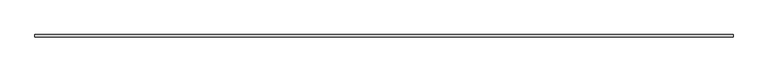
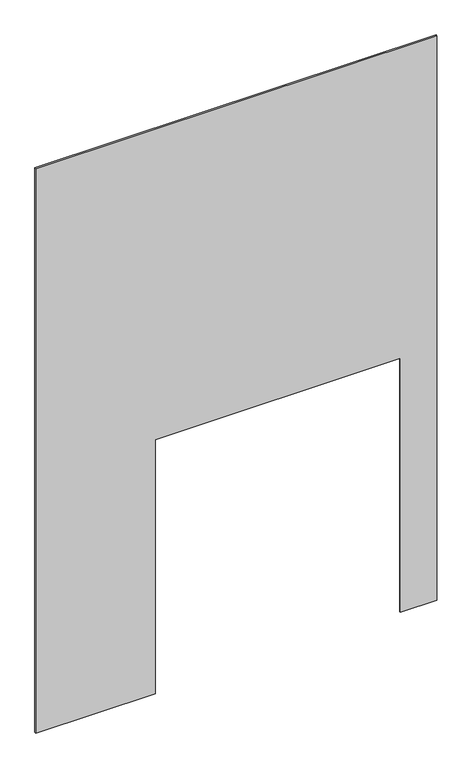
"""IFC4 building model written with IfcOpenShell, lengths in millimetres: plate geometry."""

import ifcopenshell
import ifcopenshell.guid

model = None  # the IFC model being written
_history = None  # IfcOwnerHistory: only IFC2X3 demands one
_inside = {}  # id of a spatial element -> (the spatial element, [elements in it])
_under = {}  # id of a project, library or spatial element -> (it, [spatial elements below it])
_declared = {}  # id of a project -> (the project, [libraries it declares])
_typed = {}  # id of a type object -> (the type object, [elements of that type])
_made_of = {}  # id of a material, layer set ... -> (it, [elements and type objects made of it])


def new_model(schema):
    """Start an empty IFC model of exactly this schema.

    Asked for "IFC4X3", IfcOpenShell would pick the latest addendum, in which some entities
    have other attributes; the version numbers below select the first issue.
    IFC2X3 requires an IfcOwnerHistory on every rooted entity: one is made here for all.
    """
    global model, _history
    if schema == "IFC4X3":
        model = ifcopenshell.file(schema_version=(4, 3, 0, 0))
    else:
        model = ifcopenshell.file(schema=schema)
    _inside.clear()
    _under.clear()
    _declared.clear()
    _typed.clear()
    _made_of.clear()
    _history = None
    if model.schema == "IFC2X3":
        org = make("IfcOrganization", Name="unknown")
        user = make(
            "IfcPersonAndOrganization",
            ThePerson=make("IfcPerson", FamilyName="unknown"),
            TheOrganization=org,
        )
        app = make(
            "IfcApplication",
            ApplicationDeveloper=org,
            Version="unknown",
            ApplicationFullName="unknown",
            ApplicationIdentifier="unknown",
        )
        _history = make(
            "IfcOwnerHistory",
            OwningUser=user,
            OwningApplication=app,
            ChangeAction="ADDED",
            CreationDate=0,
        )
    return model


def make(cls, **values):
    """One entity of the class cls with the attributes given. An attribute that is None is left unset."""
    return model.create_entity(
        cls, **{name: value for name, value in values.items() if value is not None}
    )


def rooted(cls, **values):
    """An entity with a GlobalId (a new one), such as an element, a storey or a relation."""
    return make(cls, GlobalId=ifcopenshell.guid.new(), OwnerHistory=_history, **values)


def si_unit(unit_type, name, prefix=None):
    """IfcSIUnit, for example si_unit("LENGTHUNIT", "METRE", prefix="MILLI")."""
    return make("IfcSIUnit", UnitType=unit_type, Prefix=prefix, Name=name)


def assignment(units):
    """IfcUnitAssignment: the units of a project."""
    return None if units is None else make("IfcUnitAssignment", Units=units)


def point(xyz):
    """IfcCartesianPoint."""
    return None if xyz is None else make("IfcCartesianPoint", Coordinates=xyz)


def direction(xyz):
    """IfcDirection."""
    return None if xyz is None else make("IfcDirection", DirectionRatios=xyz)


def frame(location, z_axis=None, x_axis=None):
    """IfcAxis2Placement3D, a coordinate frame: its origin and axes. An axis left out is left unset."""
    return make(
        "IfcAxis2Placement3D",
        Location=point(location),
        Axis=direction(z_axis),
        RefDirection=direction(x_axis),
    )


def origin():
    """The frame at (0, 0, 0) with its axes left unset."""
    return frame((0.0, 0.0, 0.0))


def place(relative_to, where):
    """IfcLocalPlacement: puts the frame where relative to a parent placement (None: the world)."""
    return make(
        "IfcLocalPlacement", PlacementRelTo=relative_to, RelativePlacement=where
    )


def context(
    kind, dimensions, precision=None, world=None, true_north=None, identifier=None
):
    """IfcGeometricRepresentationContext, for example the 3D "Model" context."""
    return make(
        "IfcGeometricRepresentationContext",
        ContextIdentifier=identifier,
        ContextType=kind,
        CoordinateSpaceDimension=dimensions,
        Precision=precision,
        WorldCoordinateSystem=world,
        TrueNorth=true_north,
    )


def project(units=None, contexts=None):
    """IfcProject with its units and contexts."""
    return rooted(
        "IfcProject",
        Name="project",
        RepresentationContexts=contexts,
        UnitsInContext=assignment(units),
    )


def spatial(cls, under=None, at=None, **own):
    """A site, building, storey or space (cls), placed at a placement, below another one or the project."""
    s = rooted(cls, ObjectPlacement=at, **own)
    if under is not None:
        _under.setdefault(under.id(), (under, []))[1].append(s)
    return s


def polyline(points):
    """IfcPolyline through the points."""
    return make("IfcPolyline", Points=[point(p) for p in points])


def outline(outer, holes=None, kind="AREA"):
    """IfcArbitraryClosedProfileDef: a profile drawn as a closed curve; with holes, ...WithVoids."""
    if holes is None:
        return make("IfcArbitraryClosedProfileDef", ProfileType=kind, OuterCurve=outer)
    return make(
        "IfcArbitraryProfileDefWithVoids",
        ProfileType=kind,
        OuterCurve=outer,
        InnerCurves=holes,
    )


def extrude(swept, where, along, depth):
    """IfcExtrudedAreaSolid: the profile swept, set in the frame where, extruded along a direction by depth."""
    return make(
        "IfcExtrudedAreaSolid",
        SweptArea=swept,
        Position=where,
        ExtrudedDirection=direction(along),
        Depth=depth,
    )


def shape(context_of_items, identifier, shape_type, items):
    """IfcShapeRepresentation: the items that make up one representation, for example the "Body"."""
    return make(
        "IfcShapeRepresentation",
        ContextOfItems=context_of_items,
        RepresentationIdentifier=identifier,
        RepresentationType=shape_type,
        Items=items,
    )


def source(mapping_origin, context_of_items, identifier, shape_type, items):
    """IfcRepresentationMap: a shape defined once, which mapped items show again and again."""
    return make(
        "IfcRepresentationMap",
        MappingOrigin=mapping_origin,
        MappedRepresentation=shape(context_of_items, identifier, shape_type, items),
    )


def transform(
    local_origin,
    x_axis=None,
    y_axis=None,
    z_axis=None,
    scale=None,
    scale2=None,
    scale3=None,
    uniform=True,
):
    """IfcCartesianTransformationOperator3D, or its non-uniform kind. x_axis, y_axis, z_axis: its Axis1, 2, 3."""
    if uniform:
        return make(
            "IfcCartesianTransformationOperator3D",
            Axis1=direction(x_axis),
            Axis2=direction(y_axis),
            LocalOrigin=point(local_origin),
            Scale=scale,
            Axis3=direction(z_axis),
        )
    return make(
        "IfcCartesianTransformationOperator3DnonUniform",
        Axis1=direction(x_axis),
        Axis2=direction(y_axis),
        LocalOrigin=point(local_origin),
        Scale=scale,
        Axis3=direction(z_axis),
        Scale2=scale2,
        Scale3=scale3,
    )


def mapped(mapping_source, mapping_target):
    """IfcMappedItem: shows the shape of a source again, moved by a transform."""
    return make(
        "IfcMappedItem", MappingSource=mapping_source, MappingTarget=mapping_target
    )


def made_of(thing, what):
    """Note that an element or type object is made of a material, layer set ...; save() writes the relation."""
    if what is not None:
        _made_of.setdefault(what.id(), (what, []))[1].append(thing)
    return thing


def element(
    cls,
    number,
    at=None,
    inside=None,
    cuts=None,
    type_object=None,
    material=None,
    context=None,
    identifier="Body",
    shape_type=None,
    held_by="IfcProductDefinitionShape",
    body=None,
    shapes=None,
    **own,
):
    """One element of the class cls, such as IfcWall. Its Tag is "e" and its number.

    at: its placement. inside: the storey or other place that contains it. cuts: it is an
    opening in that element (IfcRelVoidsElement). A single representation is given by context,
    identifier, shape_type and body (its items); several are given by shapes. held_by: the class
    of the entity that holds the representations. save() writes the other relations.
    """
    e = rooted(cls, Tag="e%d" % number, ObjectPlacement=at, **own)
    if body is not None:
        shapes = [shape(context, identifier, shape_type, body)]
    if shapes is not None:
        e.Representation = make(held_by, Representations=shapes)
    if inside is not None:
        _inside.setdefault(inside.id(), (inside, []))[1].append(e)
    if cuts is not None:
        rooted(
            "IfcRelVoidsElement", RelatingBuildingElement=cuts, RelatedOpeningElement=e
        )
    if type_object is not None:
        _typed.setdefault(type_object.id(), (type_object, []))[1].append(e)
    return made_of(e, material)


def aggregate(whole, parts):
    """IfcRelAggregates: a whole, such as a stair, and the parts it consists of."""
    return rooted("IfcRelAggregates", RelatingObject=whole, RelatedObjects=parts)


def save(model, path):
    """Write the relations noted so far, then the file.

    IfcRelAggregates (storeys below a building ...), IfcRelContainedInSpatialStructure (elements
    in a storey), IfcRelDefinesByType, IfcRelAssociatesMaterial and IfcRelDeclares: one each for
    every whole, place, type object, material and project.
    """
    for whole, parts in _under.values():
        aggregate(whole, parts)
    for where, things in _inside.values():
        rooted(
            "IfcRelContainedInSpatialStructure",
            RelatedElements=things,
            RelatingStructure=where,
        )
    for kind, things in _typed.values():
        rooted("IfcRelDefinesByType", RelatedObjects=things, RelatingType=kind)
    for what, things in _made_of.values():
        rooted("IfcRelAssociatesMaterial", RelatedObjects=things, RelatingMaterial=what)
    for by, libraries in _declared.values():
        rooted("IfcRelDeclares", RelatingContext=by, RelatedDefinitions=libraries)
    model.write(path)


def plate_19a950bd(model_context):
    return source(origin(), model_context, "Body", "SweptSolid", [
        extrude(outline(polyline([(0.0, -1512.5), (0.0, -612.5), (2025.0, -612.5), (2025.0, 1237.5), (0.0, 1237.5), (0.0, 1512.5), (4500.0, 1512.5), (4500.0, -1512.5), (0.0, -1512.5)])), frame((0.0, -5.0, 0.0), z_axis=(0.0, 1.0, 0.0), x_axis=(0.0, 0.0, 1.0)), (0.0, 0.0, 1.0), 10.0),
    ])


if __name__ == "__main__":
    model = new_model("IFC4")
    model_context = context("Model", 3, world=origin())
    ifc_project = project(units=[si_unit("LENGTHUNIT", "METRE", prefix="MILLI")], contexts=[model_context])
    site = spatial("IfcSite", under=ifc_project)
    building = spatial("IfcBuilding", under=site)
    placement = place(None, origin())
    plate_shape = plate_19a950bd(model_context)
    element("IfcPlate", 1, at=placement, inside=building, context=model_context, shape_type="MappedRepresentation", body=[
        mapped(plate_shape, transform((0.0, 0.0, 0.0), x_axis=(1.0, 0.0, 0.0), y_axis=(0.0, 1.0, 0.0), z_axis=(0.0, 0.0, 1.0))),
    ])
    save(model, "model.ifc")
